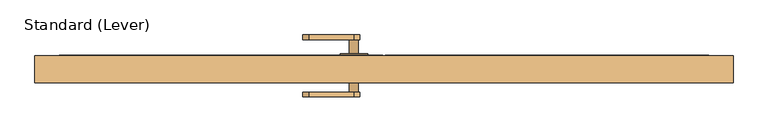
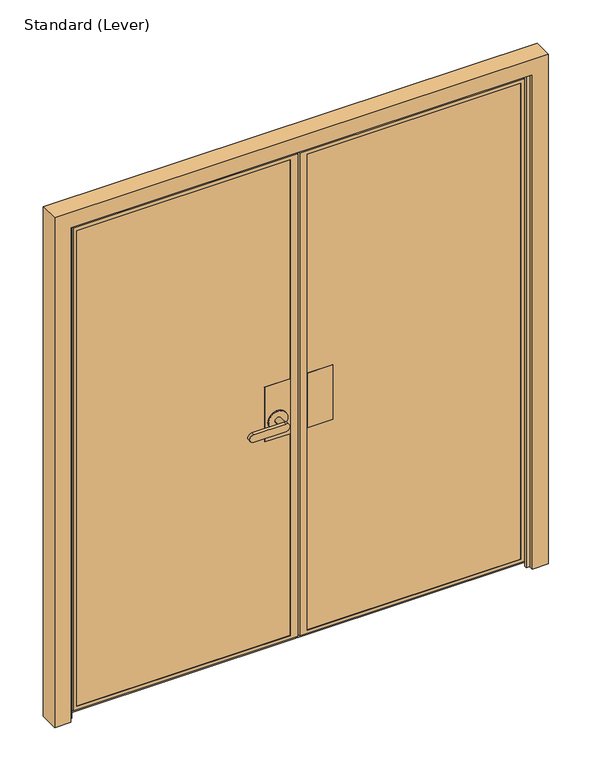
"""IFC4 building model written with IfcOpenShell, lengths in millimetres: door geometry, Standard (Lever)."""

from ifc_helpers import new_model, si_unit, frame, origin, place, context, project, spatial, polyline, circle_curve, outline, extrude, faceted_brep, source, transform, mapped, element, save
from ifc_brep_helpers import plane_surface, cylinder_surface, advanced_brep


def standard_lever_43b83f80(model_context):
    return source(origin(), model_context, "Body", "SolidModel", [
        extrude(outline(polyline([(-282.575, -8.418061), (-282.575, 28.094439), (-180.975, 28.094439), (-180.975, -8.418061), (-282.575, -8.418061)])), frame((0.0, 0.0, 889.0), z_axis=(0.0, 0.0, 1.0), x_axis=(1.0, 0.0, 0.0)), (0.0, 0.0, 1.0), 228.6),
        extrude(outline(polyline([(-282.575, 37.619439), (-282.575, 39.206939), (-180.975, 39.206939), (-180.975, 37.619439), (-282.575, 37.619439)])), frame((0.0, 0.0, 889.0), z_axis=(0.0, 0.0, 1.0), x_axis=(1.0, 0.0, 0.0)), (0.0, 0.0, 1.0), 228.6),
        extrude(outline(polyline([(-282.575, -19.530561), (-282.575, -17.943061), (-180.975, -17.943061), (-180.975, -19.530561), (-282.575, -19.530561)])), frame((0.0, 0.0, 889.0), z_axis=(0.0, 0.0, 1.0), x_axis=(1.0, 0.0, 0.0)), (0.0, 0.0, 1.0), 228.6),
        faceted_brep([(-349.25, -8.418061, 1117.6), (-349.25, 28.094439, 1117.6), (-450.85, 28.094439, 1117.6), (-450.85, -8.418061, 1117.6), (-349.25, -8.418061, 889.0), (-450.85, -8.418061, 889.0), (-450.85, 28.094439, 889.0), (-349.25, 28.094439, 889.0)], [[[0, 1, 2, 3]], [[4, 5, 6, 7]], [[1, 0, 4, 7]], [[2, 1, 7, 6]], [[3, 2, 6, 5]], [[0, 3, 5, 4]]]),
        advanced_brep(
        [(-349.25, 37.619439, 1117.6), (-349.25, 39.206939, 1117.6), (-450.85, 39.206939, 1117.6), (-450.85, 37.619439, 1117.6), (-349.25, 37.619439, 889.0), (-450.85, 37.619439, 889.0), (-450.85, 39.206939, 889.0), (-349.25, 39.206939, 889.0), (-438.15, 39.206939, 965.2), (-361.95, 39.206939, 965.2), (-361.95, 43.969439, 965.2), (-438.15, 43.969439, 965.2), (-412.75, 43.969439, 965.2), (-387.35, 43.969439, 965.2), (-387.35, 83.656939, 965.2), (-412.75, 83.656939, 965.2), (-527.05, 96.356939, 949.325), (-527.05, 96.356939, 981.075), (-400.05, 96.356939, 981.075), (-400.05, 96.356939, 949.325), (-527.05, 83.656939, 949.325), (-400.05, 83.656939, 949.325), (-400.05, 83.656939, 981.075), (-527.05, 83.656939, 981.075)],
        [
            (0, 1),
            (1, 2),
            (2, 3),
            (3, 0),
            (4, 5),
            (5, 6),
            (6, 7),
            (7, 4),
            (0, 4),
            (7, 1),
            (6, 2),
            (8, 9, circle_curve(frame((-400.05, 39.206939, 965.2), z_axis=(0.0, -1.0, 0.0), x_axis=(-1.0, 0.0, 0.0)), 38.1)),
            (9, 8, circle_curve(frame((-400.05, 39.206939, 965.2), z_axis=(0.0, -1.0, 0.0), x_axis=(-1.0, 0.0, 0.0)), 38.1)),
            (5, 3),
            (10, 11, circle_curve(frame((-400.05, 43.969439, 965.2), z_axis=(0.0, 1.0, 0.0), x_axis=(-1.0, 0.0, 0.0)), 38.1)),
            (11, 10, circle_curve(frame((-400.05, 43.969439, 965.2), z_axis=(0.0, 1.0, 0.0), x_axis=(-1.0, 0.0, 0.0)), 38.1)),
            (12, 13, circle_curve(frame((-400.05, 43.969439, 965.2), z_axis=(0.0, -1.0, 0.0), x_axis=(-1.0, 0.0, 0.0)), 12.7)),
            (13, 12, circle_curve(frame((-400.05, 43.969439, 965.2), z_axis=(0.0, -1.0, 0.0), x_axis=(-1.0, 0.0, 0.0)), 12.7)),
            (10, 9),
            (8, 11),
            (14, 13),
            (12, 15),
            (15, 14, circle_curve(frame((-400.05, 83.656939, 965.2), z_axis=(0.0, -1.0, 0.0), x_axis=(-1.0, 0.0, 0.0)), 12.7)),
            (14, 15, circle_curve(frame((-400.05, 83.656939, 965.2), z_axis=(0.0, -1.0, 0.0), x_axis=(-1.0, 0.0, 0.0)), 12.7)),
            (16, 17, circle_curve(frame((-527.05, 96.356939, 965.2), z_axis=(0.0, 1.0, 0.0), x_axis=(-1.0, 0.0, 0.0)), 15.875)),
            (17, 18),
            (18, 19, circle_curve(frame((-400.05, 96.356939, 965.2), z_axis=(0.0, 1.0, 0.0), x_axis=(-1.0, 0.0, 0.0)), 15.875)),
            (19, 16),
            (20, 21),
            (21, 22, circle_curve(frame((-400.05, 83.656939, 965.2), z_axis=(0.0, -1.0, 0.0), x_axis=(-1.0, 0.0, 0.0)), 15.875)),
            (22, 23),
            (23, 20, circle_curve(frame((-527.05, 83.656939, 965.2), z_axis=(0.0, -1.0, 0.0), x_axis=(-1.0, 0.0, 0.0)), 15.875)),
            (16, 20),
            (23, 17),
            (22, 18),
            (21, 19),
        ],
        [
            plane_surface(frame((-349.25, -19.530561, 1117.6), z_axis=(0.0, 0.0, 1.0), x_axis=(0.0, 1.0, 0.0))),
            plane_surface(frame((-349.25, -19.530561, 889.0), z_axis=(0.0, 0.0, -1.0), x_axis=(0.0, -1.0, 0.0))),
            plane_surface(frame((-349.25, 37.619439, 1117.6), z_axis=(1.0, 0.0, 0.0), x_axis=(0.0, 0.0, -1.0))),
            plane_surface(frame((-349.25, 39.206939, 1117.6), z_axis=(0.0, 1.0, 0.0), x_axis=(0.0, 0.0, -1.0))),
            plane_surface(frame((-450.85, 39.206939, 1117.6), z_axis=(-1.0, 0.0, 0.0), x_axis=(0.0, 0.0, -1.0))),
            plane_surface(frame((-450.85, 37.619439, 1117.6), z_axis=(0.0, -1.0, 0.0), x_axis=(0.0, 0.0, -1.0))),
            plane_surface(frame((-438.15, 43.969439, 965.2), z_axis=(0.0, 1.0, 0.0), x_axis=(0.0, 0.0, 1.0))),
            cylinder_surface(frame((-400.05, 39.206939, 965.2), z_axis=(0.0, 1.0, 0.0), x_axis=(-1.0, 0.0, 0.0)), 38.1),
            cylinder_surface(frame((-400.05, 39.206939, 965.2), z_axis=(0.0, 1.0, 0.0), x_axis=(-1.0, 0.0, 0.0)), 12.7),
            plane_surface(frame((-542.925, 96.356939, 965.2), z_axis=(0.0, 1.0, 0.0), x_axis=(0.0, 0.0, 1.0))),
            plane_surface(frame((-542.925, 83.656939, 965.2), z_axis=(0.0, -1.0, 0.0), x_axis=(0.0, 0.0, -1.0))),
            cylinder_surface(frame((-527.05, 83.656939, 965.2), z_axis=(0.0, 1.0, 0.0), x_axis=(-1.0, 0.0, 0.0)), 15.875),
            plane_surface(frame((-527.05, 96.356939, 981.075), z_axis=(0.0, 0.0, 1.0), x_axis=(0.0, -1.0, 0.0))),
            cylinder_surface(frame((-400.05, 83.656939, 965.2), z_axis=(0.0, 1.0, 0.0), x_axis=(-1.0, 0.0, 0.0)), 15.875),
            plane_surface(frame((-400.05, 96.356939, 949.325), z_axis=(0.0, 0.0, -1.0), x_axis=(0.0, -1.0, 0.0))),
        ],
        [
            (0, [[1, 2, 3, 4]]),
            (1, [[5, 6, 7, 8]]),
            (2, [[-1, 9, -8, 10]]),
            (3, [[-2, -10, -7, 11], [12, 13]]),
            (4, [[-3, -11, -6, 14]]),
            (5, [[-4, -14, -5, -9]]),
            (6, [[15, 16], [17, 18]]),
            (7, [[-15, 19, -12, 20]]),
            (7, [[-16, -20, -13, -19]]),
            (8, [[21, -17, 22, 23]]),
            (8, [[-21, 24, -22, -18]]),
            (9, [[25, 26, 27, 28]]),
            (10, [[29, 30, 31, 32], [-23, -24]]),
            (11, [[-25, 33, -32, 34]]),
            (12, [[-26, -34, -31, 35]]),
            (13, [[-27, -35, -30, 36]]),
            (14, [[-28, -36, -29, -33]]),
        ],
    ),
        advanced_brep(
        [(-349.25, -19.530561, 1117.6), (-349.25, -17.943061, 1117.6), (-450.787822, -17.943061, 1117.6), (-450.787822, -19.530561, 1117.6), (-349.25, -19.530561, 889.0), (-450.787822, -19.530561, 889.0), (-450.787822, -17.943061, 889.0), (-349.25, -17.943061, 889.0), (-387.35, -24.293061, 965.2), (-387.35, -63.980561, 965.2), (-412.75, -63.980561, 965.2), (-412.75, -24.293061, 965.2), (-361.95, -24.293061, 965.2), (-438.15, -24.293061, 965.2), (-438.15, -19.530561, 965.2), (-361.95, -19.530561, 965.2), (-400.05, -63.980561, 949.325), (-527.05, -63.980561, 949.325), (-527.05, -63.980561, 981.075), (-400.05, -63.980561, 981.075), (-400.05, -76.680561, 949.325), (-400.05, -76.680561, 981.075), (-527.05, -76.680561, 981.075), (-527.05, -76.680561, 949.325)],
        [
            (0, 1),
            (1, 2),
            (2, 3),
            (3, 0),
            (4, 5),
            (5, 6),
            (6, 7),
            (7, 4),
            (8, 9),
            (9, 10, circle_curve(frame((-400.05, -63.980561, 965.2), z_axis=(0.0, 1.0, 0.0), x_axis=(-1.0, 0.0, 0.0)), 12.7)),
            (10, 11),
            (11, 8, circle_curve(frame((-400.05, -24.293061, 965.2), z_axis=(0.0, -1.0, 0.0), x_axis=(-1.0, 0.0, 0.0)), 12.7)),
            (8, 11, circle_curve(frame((-400.05, -24.293061, 965.2), z_axis=(0.0, -1.0, 0.0), x_axis=(-1.0, 0.0, 0.0)), 12.7)),
            (10, 9, circle_curve(frame((-400.05, -63.980561, 965.2), z_axis=(0.0, 1.0, 0.0), x_axis=(-1.0, 0.0, 0.0)), 12.7)),
            (12, 13, circle_curve(frame((-400.05, -24.293061, 965.2), z_axis=(0.0, -1.0, 0.0), x_axis=(-1.0, 0.0, 0.0)), 38.1)),
            (13, 12, circle_curve(frame((-400.05, -24.293061, 965.2), z_axis=(0.0, -1.0, 0.0), x_axis=(-1.0, 0.0, 0.0)), 38.1)),
            (13, 14),
            (14, 15, circle_curve(frame((-400.05, -19.530561, 965.2), z_axis=(0.0, -1.0, 0.0), x_axis=(-1.0, 0.0, 0.0)), 38.1)),
            (15, 12),
            (15, 14, circle_curve(frame((-400.05, -19.530561, 965.2), z_axis=(0.0, -1.0, 0.0), x_axis=(-1.0, 0.0, 0.0)), 38.1)),
            (16, 17),
            (17, 18, circle_curve(frame((-527.05, -63.980561, 965.2), z_axis=(0.0, 1.0, 0.0), x_axis=(-1.0, 0.0, 0.0)), 15.875)),
            (18, 19),
            (19, 16, circle_curve(frame((-400.05, -63.980561, 965.2), z_axis=(0.0, 1.0, 0.0), x_axis=(-1.0, 0.0, 0.0)), 15.875)),
            (20, 21, circle_curve(frame((-400.05, -76.680561, 965.2), z_axis=(0.0, -1.0, 0.0), x_axis=(-1.0, 0.0, 0.0)), 15.875)),
            (21, 22),
            (22, 23, circle_curve(frame((-527.05, -76.680561, 965.2), z_axis=(0.0, -1.0, 0.0), x_axis=(-1.0, 0.0, 0.0)), 15.875)),
            (23, 20),
            (16, 20),
            (23, 17),
            (22, 18),
            (21, 19),
            (0, 4),
            (7, 1),
            (6, 2),
            (5, 3),
        ],
        [
            plane_surface(frame((-349.25, -19.530561, 1117.6), z_axis=(0.0, 0.0, 1.0), x_axis=(0.0, 1.0, 0.0))),
            plane_surface(frame((-349.25, -19.530561, 889.0), z_axis=(0.0, 0.0, -1.0), x_axis=(0.0, -1.0, 0.0))),
            cylinder_surface(frame((-400.05, -63.980561, 965.2), z_axis=(0.0, 1.0, 0.0), x_axis=(-1.0, 0.0, 0.0)), 12.7),
            plane_surface(frame((-438.15, -24.293061, 965.2), z_axis=(0.0, -1.0, 0.0), x_axis=(0.0, 0.0, -1.0))),
            cylinder_surface(frame((-400.05, -24.293061, 965.2), z_axis=(0.0, 1.0, 0.0), x_axis=(-1.0, 0.0, 0.0)), 38.1),
            plane_surface(frame((-400.05, -63.980561, 949.325), z_axis=(0.0, 1.0, 0.0), x_axis=(-1.0, 0.0, 0.0))),
            plane_surface(frame((-400.05, -76.680561, 949.325), z_axis=(0.0, -1.0, 0.0), x_axis=(1.0, 0.0, 0.0))),
            plane_surface(frame((-400.05, -63.980561, 949.325), z_axis=(0.0, 0.0, -1.0), x_axis=(0.0, -1.0, 0.0))),
            cylinder_surface(frame((-527.05, -76.680561, 965.2), z_axis=(0.0, 1.0, 0.0), x_axis=(-1.0, 0.0, 0.0)), 15.875),
            plane_surface(frame((-527.05, -63.980561, 981.075), z_axis=(0.0, 0.0, 1.0), x_axis=(0.0, -1.0, 0.0))),
            cylinder_surface(frame((-400.05, -76.680561, 965.2), z_axis=(0.0, 1.0, 0.0), x_axis=(-1.0, 0.0, 0.0)), 15.875),
            plane_surface(frame((-349.25, -19.530561, 1117.6), z_axis=(1.0, 0.0, 0.0), x_axis=(0.0, 0.0, -1.0))),
            plane_surface(frame((-349.25, -17.943061, 1117.6), z_axis=(0.0, 1.0, 0.0), x_axis=(0.0, 0.0, -1.0))),
            plane_surface(frame((-450.787822, -17.943061, 1117.6), z_axis=(-1.0, 0.0, 0.0), x_axis=(0.0, 0.0, -1.0))),
            plane_surface(frame((-450.787822, -19.530561, 1117.6), z_axis=(0.0, -1.0, 0.0), x_axis=(0.0, 0.0, -1.0))),
        ],
        [
            (0, [[1, 2, 3, 4]]),
            (1, [[5, 6, 7, 8]]),
            (2, [[9, 10, 11, 12]]),
            (2, [[-9, 13, -11, 14]]),
            (3, [[15, 16], [-12, -13]]),
            (4, [[-16, 17, 18, 19]]),
            (4, [[-15, -19, 20, -17]]),
            (5, [[21, 22, 23, 24], [-10, -14]]),
            (6, [[25, 26, 27, 28]]),
            (7, [[-21, 29, -28, 30]]),
            (8, [[-22, -30, -27, 31]]),
            (9, [[-23, -31, -26, 32]]),
            (10, [[-24, -32, -25, -29]]),
            (11, [[-1, 33, -8, 34]]),
            (12, [[-2, -34, -7, 35]]),
            (13, [[-3, -35, -6, 36]]),
            (14, [[-4, -36, -5, -33], [-18, -20]]),
        ],
    ),
        faceted_brep([(-1195.3875, 28.094439, 2035.175), (-1195.3875, -8.418061, 2035.175), (-1195.3875, -8.418061, 42.8625), (-1195.3875, 28.094439, 42.8625), (-1208.0875, -8.418061, 30.1625), (-336.55, -8.418061, 30.1625), (-336.55, -8.418061, 2047.875), (-1208.0875, -8.418061, 2047.875), (-349.25, -8.418061, 2035.175), (-349.25, -8.418061, 42.8625), (-349.25, 28.094439, 42.8625), (-1208.0875, 28.094439, 30.1625), (-1208.0875, 28.094439, 2047.875), (-336.55, 28.094439, 2047.875), (-336.55, 28.094439, 30.1625), (-349.25, 28.094439, 2035.175), (-1208.0875, 37.619439, 2047.875), (-1208.0875, 37.619439, 30.1625), (-336.55, 37.619439, 30.1625), (-336.55, 37.619439, 2047.875), (-1195.3875, 37.619439, 42.8625), (-1195.3875, 37.619439, 2035.175), (-349.25, 37.619439, 2035.175), (-349.25, 37.619439, 42.8625), (-1195.3875, 39.206939, 2035.175), (-1195.3875, 39.206939, 42.8625), (-349.25, 39.206939, 42.8625), (-1225.55, 39.206939, 12.7), (-1225.55, 39.206939, 2065.3375), (-319.0875, 39.206939, 2065.3375), (-319.0875, 39.206939, 12.7), (-349.25, 39.206939, 2035.175), (-1225.55, -5.243061, 2065.3375), (-1225.55, -5.243061, 12.7), (-319.0875, -5.243061, 12.7), (-319.0875, -5.243061, 28.575), (-1209.675, -5.243061, 28.575), (-1209.675, -5.243061, 2049.4625), (-319.0875, -5.243061, 2049.4625), (-319.0875, -5.243061, 2065.3375), (-319.0875, -19.530561, 2049.4625), (-319.0875, -19.530561, 28.575), (-1209.675, -19.530561, 2049.4625), (-1209.675, -19.530561, 28.575), (-349.25, -19.530561, 42.8625), (-1195.3875, -19.530561, 42.8625), (-1195.3875, -19.530561, 2035.175), (-349.25, -19.530561, 2035.175), (-349.25, -17.943061, 42.8625), (-1195.3875, -17.943061, 42.8625), (-1195.3875, -17.943061, 2035.175), (-349.25, -17.943061, 2035.175), (-336.55, -17.943061, 30.1625), (-1208.0875, -17.943061, 30.1625), (-1208.0875, -17.943061, 2047.875), (-336.55, -17.943061, 2047.875)], [[[0, 1, 2, 3]], [[4, 5, 6, 7], [2, 1, 8, 9]], [[3, 2, 9, 10]], [[11, 12, 13, 14], [0, 3, 10, 15]], [[16, 12, 11, 17]], [[17, 11, 14, 18]], [[16, 17, 18, 19], [20, 21, 22, 23]], [[24, 21, 20, 25]], [[25, 20, 23, 26]], [[27, 28, 29, 30], [24, 25, 26, 31]], [[32, 28, 27, 33]], [[33, 27, 30, 34]], [[32, 33, 34, 35, 36, 37, 38, 39]], [[8, 15, 10, 9]], [[13, 19, 18, 14]], [[22, 31, 26, 23]], [[29, 39, 38, 40, 41, 35, 34, 30]], [[41, 40, 42, 43], [44, 45, 46, 47]], [[41, 43, 36, 35]], [[45, 44, 48, 49]], [[46, 45, 49, 50]], [[44, 47, 51, 48]], [[43, 42, 37, 36]], [[52, 53, 54, 55], [49, 48, 51, 50]], [[53, 4, 7, 54]], [[4, 53, 52, 5]], [[5, 52, 55, 6]], [[1, 0, 15, 8]], [[12, 16, 19, 13]], [[21, 24, 31, 22]], [[28, 32, 39, 29]], [[47, 46, 50, 51]], [[6, 55, 54, 7]], [[42, 40, 38, 37]]]),
        faceted_brep([(577.85, -19.530561, 28.575), (-312.7375, -19.530561, 28.575), (-312.7375, -5.243061, 28.575), (577.85, -5.243061, 28.575), (593.725, 39.206939, 2065.3375), (593.725, -5.243061, 2065.3375), (593.725, -5.243061, 12.7), (593.725, 39.206939, 12.7), (-312.7375, -5.243061, 2065.3375), (-312.7375, -5.243061, 2049.4625), (577.85, -5.243061, 2049.4625), (-312.7375, -5.243061, 12.7), (-312.7375, 39.206939, 12.7), (-312.7375, 39.206939, 2065.3375), (563.5625, 39.206939, 42.8625), (563.5625, 39.206939, 2035.175), (-282.575, 39.206939, 2035.175), (-282.575, 39.206939, 42.8625), (563.5625, 37.619439, 2035.175), (563.5625, 37.619439, 42.8625), (-282.575, 37.619439, 42.8625), (576.2625, 37.619439, 30.1625), (576.2625, 37.619439, 2047.875), (-295.275, 37.619439, 2047.875), (-295.275, 37.619439, 30.1625), (-282.575, 37.619439, 2035.175), (576.2625, 28.094439, 2047.875), (576.2625, 28.094439, 30.1625), (-295.275, 28.094439, 30.1625), (-295.275, 28.094439, 2047.875), (563.5625, 28.094439, 42.8625), (563.5625, 28.094439, 2035.175), (-282.575, 28.094439, 2035.175), (-282.575, 28.094439, 42.8625), (563.5625, -8.418061, 2035.175), (563.5625, -8.418061, 42.8625), (-282.575, -8.418061, 42.8625), (576.2625, -8.418061, 30.1625), (576.2625, -8.418061, 2047.875), (-295.275, -8.418061, 2047.875), (-295.275, -8.418061, 30.1625), (-282.575, -8.418061, 2035.175), (-312.7375, -19.530561, 2049.4625), (577.85, -19.530561, 2049.4625), (563.5625, -19.530561, 42.8625), (-282.575, -19.530561, 42.8625), (-282.575, -19.530561, 2035.175), (563.5625, -19.530561, 2035.175), (563.5625, -17.943061, 42.8625), (-282.575, -17.943061, 42.8625), (-282.575, -17.943061, 2035.175), (563.5625, -17.943061, 2035.175), (576.2625, -17.943061, 2047.875), (576.2625, -17.943061, 30.1625), (-295.275, -17.943061, 30.1625), (-295.275, -17.943061, 2047.875)], [[[0, 1, 2, 3]], [[4, 5, 6, 7]], [[6, 5, 8, 9, 10, 3, 2, 11]], [[7, 6, 11, 12]], [[4, 7, 12, 13], [14, 15, 16, 17]], [[18, 15, 14, 19]], [[19, 14, 17, 20]], [[21, 22, 23, 24], [18, 19, 20, 25]], [[26, 22, 21, 27]], [[27, 21, 24, 28]], [[26, 27, 28, 29], [30, 31, 32, 33]], [[34, 31, 30, 35]], [[35, 30, 33, 36]], [[37, 38, 39, 40], [34, 35, 36, 41]], [[12, 11, 2, 1, 42, 9, 8, 13]], [[20, 17, 16, 25]], [[28, 24, 23, 29]], [[36, 33, 32, 41]], [[42, 1, 0, 43], [44, 45, 46, 47]], [[45, 44, 48, 49]], [[46, 45, 49, 50]], [[44, 47, 51, 48]], [[43, 0, 3, 10]], [[52, 38, 37, 53]], [[53, 37, 40, 54]], [[52, 53, 54, 55], [48, 51, 50, 49]], [[54, 40, 39, 55]], [[5, 4, 13, 8]], [[15, 18, 25, 16]], [[22, 26, 29, 23]], [[31, 34, 41, 32]], [[38, 52, 55, 39]], [[47, 46, 50, 51]], [[9, 42, 43, 10]]]),
        extrude(outline(polyline([(-295.275, 28.094439), (-295.275, 37.619439), (576.2625, 37.619439), (576.2625, 28.094439), (-295.275, 28.094439)])), frame((0.0, 0.0, 30.1625), z_axis=(0.0, 0.0, 1.0), x_axis=(1.0, 0.0, 0.0)), (0.0, 0.0, 1.0), 2017.7125),
        extrude(outline(polyline([(-295.275, -8.418061), (576.2625, -8.418061), (576.2625, -17.943061), (-295.275, -17.943061), (-295.275, -8.418061)])), frame((0.0, 0.0, 30.1625), z_axis=(0.0, 0.0, 1.0), x_axis=(1.0, 0.0, 0.0)), (0.0, 0.0, 1.0), 2017.7125),
        extrude(outline(polyline([(-336.55, 37.619439), (-336.55, 28.094439), (-1208.0875, 28.094439), (-1208.0875, 37.619439), (-336.55, 37.619439)])), frame((0.0, 0.0, 30.1625), z_axis=(0.0, 0.0, 1.0), x_axis=(1.0, 0.0, 0.0)), (0.0, 0.0, 1.0), 2017.7125),
        extrude(outline(polyline([(-1208.0875, -8.418061), (-336.55, -8.418061), (-336.55, -17.943061), (-1208.0875, -17.943061), (-1208.0875, -8.418061)])), frame((0.0, 0.0, 30.1625), z_axis=(0.0, 0.0, 1.0), x_axis=(1.0, 0.0, 0.0)), (0.0, 0.0, 1.0), 2017.7125),
        faceted_brep([(598.4875, -20.6375, 0.0), (584.2, -20.6375, 0.0), (584.2, -9.525, 0.0), (598.4875, -9.525, 0.0), (598.4875, 38.1, 0.0), (661.9875, 38.1, 0.0), (661.9875, -38.1, 0.0), (598.4875, -38.1, 0.0), (598.4875, -20.6375, 2070.1), (-1230.3125, -20.6375, 2070.1), (-1230.3125, -20.6375, 0.0), (-1216.025, -20.6375, 0.0), (-1216.025, -20.6375, 2055.8125), (584.2, -20.6375, 2055.8125), (584.2, -9.525, 2055.8125), (-1216.025, -9.525, 2055.8125), (-1216.025, -9.525, 0.0), (-1230.3125, -9.525, 0.0), (-1230.3125, -9.525, 2070.1), (598.4875, -9.525, 2070.1), (598.4875, 38.1, 2070.1), (-1230.3125, 38.1, 2070.1), (-1230.3125, 38.1, 0.0), (-1293.8125, 38.1, 0.0), (-1293.8125, 38.1, 2133.6), (661.9875, 38.1, 2133.6), (661.9875, -38.1, 2133.6), (-1293.8125, -38.1, 2133.6), (-1293.8125, -38.1, 0.0), (-1230.3125, -38.1, 0.0), (-1230.3125, -38.1, 2070.1), (598.4875, -38.1, 2070.1)], [[[0, 1, 2, 3, 4, 5, 6, 7]], [[1, 0, 8, 9, 10, 11, 12, 13]], [[2, 1, 13, 14]], [[3, 2, 14, 15, 16, 17, 18, 19]], [[4, 3, 19, 20]], [[5, 4, 20, 21, 22, 23, 24, 25]], [[6, 5, 25, 26]], [[7, 6, 26, 27, 28, 29, 30, 31]], [[0, 7, 31, 8]], [[10, 29, 28, 23, 22, 17, 16, 11]], [[23, 28, 27, 24]], [[29, 10, 9, 30]], [[18, 17, 22, 21]], [[11, 16, 15, 12]], [[27, 26, 25, 24]], [[20, 19, 18, 21]], [[9, 8, 31, 30]], [[14, 13, 12, 15]]]),
    ])


if __name__ == "__main__":
    model = new_model("IFC4")
    model_context = context("Model", 3, world=origin())
    ifc_project = project(units=[si_unit("LENGTHUNIT", "METRE", prefix="MILLI")], contexts=[model_context])
    site = spatial("IfcSite", under=ifc_project)
    building = spatial("IfcBuilding", under=site)
    placement = place(None, origin())
    standard_lever_shape = standard_lever_43b83f80(model_context)
    element("IfcDoor", 1, ObjectType="Standard (Lever)", at=placement, inside=building, context=model_context, shape_type="MappedRepresentation", body=[
        mapped(standard_lever_shape, transform((0.0, 0.0, 0.0), x_axis=(1.0, 0.0, 0.0), y_axis=(0.0, 1.0, 0.0), z_axis=(0.0, 0.0, 1.0))),
    ])
    save(model, "model.ifc")
